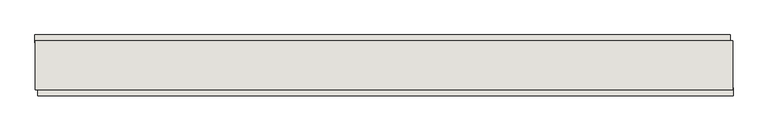
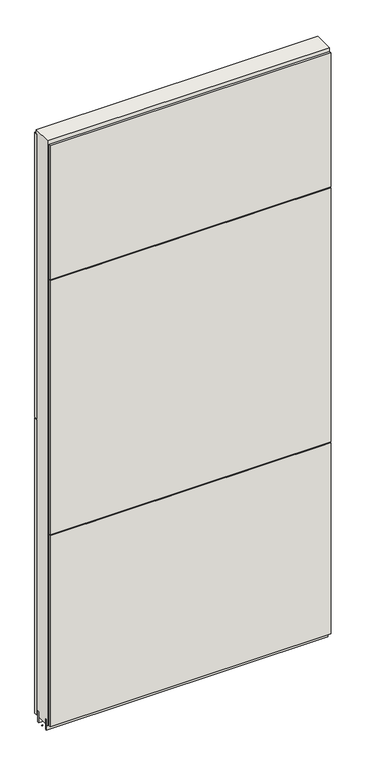
"""IFC4 building model written with IfcOpenShell, lengths in millimetres: wall geometry."""

from ifc_helpers import new_model, si_unit, frame, origin, place, context, project, spatial, polyline, outline, extrude, source, transform, mapped, element, save


def wall_96e56dcf(model_context):
    return source(origin(), model_context, "Body", "SweptSolid", [
        extrude(outline(polyline([(42882.82, -50694.3338918), (42880.28, -50694.3338918), (42880.28, -50691.7938918), (42882.82, -50691.7938918), (42882.82, -50694.3338918)])), frame((0.0, 0.0, 4419.6), z_axis=(0.0, 0.0, 1.0), x_axis=(1.0, 0.0, 0.0)), (0.0, 0.0, 1.0), 2.54),
        extrude(outline(polyline([(42879.813783, -50642.2669906), (44044.213791, -50642.2669906), (44044.213791, -50654.9669906), (42879.813783, -50654.9669906), (42879.813783, -50642.2669906)])), frame((0.0, 0.0, 5742.399869), z_axis=(0.0, 0.0, 1.0), x_axis=(1.0, 0.0, 0.0)), (0.0, 0.0, 1.0), 1247.649905),
        extrude(outline(polyline([(42879.813783, -50642.2669906), (44044.213791, -50642.2669906), (44044.213791, -50654.9669906), (42879.813783, -50654.9669906), (42879.813783, -50642.2669906)])), frame((0.0, 0.0, 4445.0), z_axis=(0.0, 0.0, 1.0), x_axis=(1.0, 0.0, 0.0)), (0.0, 0.0, 1.0), 1293.400004),
        extrude(outline(polyline([(44049.1437278, -50743.8638918), (42884.7437198, -50743.8638918), (42884.7437198, -50731.1638918), (44049.1437278, -50731.1638918), (44049.1437278, -50743.8638918)])), frame((0.0, 0.0, 6402.8000722), z_axis=(0.0, 0.0, 1.0), x_axis=(1.0, 0.0, 0.0)), (0.0, 0.0, 1.0), 587.2498034),
        extrude(outline(polyline([(44049.1437278, -50743.8638918), (42884.7437198, -50743.8638918), (42884.7437198, -50731.1638918), (44049.1437278, -50731.1638918), (44049.1437278, -50743.8638918)])), frame((0.0, 0.0, 5285.2000722), z_axis=(0.0, 0.0, 1.0), x_axis=(1.0, 0.0, 0.0)), (0.0, 0.0, 1.0), 1113.5999572),
        extrude(outline(polyline([(44049.1437278, -50743.8638918), (42884.7437198, -50743.8638918), (42884.7437198, -50731.1638918), (44049.1437278, -50731.1638918), (44049.1437278, -50743.8638918)])), frame((0.0, 0.0, 4445.0), z_axis=(0.0, 0.0, 1.0), x_axis=(1.0, 0.0, 0.0)), (0.0, 0.0, 1.0), 836.200004),
        extrude(outline(polyline([(44048.6787554, -50667.9708508), (42880.2787554, -50667.9708508), (42880.2787554, -50662.8920954), (44048.6787554, -50662.9168858), (44048.6787554, -50667.9708508)])), frame((0.0, 0.0, 4418.6602), z_axis=(0.0, 0.0, 1.0), x_axis=(1.0, 0.0, 0.0)), (0.0, 0.0, 1.0), 47.625),
        extrude(outline(polyline([(44048.6787554, -50667.9708508), (42880.2787554, -50667.9708508), (42880.2787554, -50662.8920954), (44048.6787554, -50662.9168858), (44048.6787554, -50667.9708508)])), frame((0.0, 0.0, 4418.6602), z_axis=(0.0, 0.0, 1.0), x_axis=(1.0, 0.0, 0.0)), (0.0, 0.0, 1.0), 47.625),
        extrude(outline(polyline([(42880.2787554, -50718.1352412), (44048.6787554, -50718.1600316), (44048.6787554, -50723.2418858), (42880.2787554, -50723.2170954), (42880.2787554, -50718.1352412)])), frame((0.0, 0.0, 4418.6602), z_axis=(0.0, 0.0, 1.0), x_axis=(1.0, 0.0, 0.0)), (0.0, 0.0, 1.0), 47.625),
        extrude(outline(polyline([(42880.2787554, -50718.1352412), (44048.6787554, -50718.1600316), (44048.6787554, -50723.2418858), (42880.2787554, -50723.2170954), (42880.2787554, -50718.1352412)])), frame((0.0, 0.0, 4418.6602), z_axis=(0.0, 0.0, 1.0), x_axis=(1.0, 0.0, 0.0)), (0.0, 0.0, 1.0), 47.625),
        extrude(outline(polyline([(44048.6787554, -50652.4245014), (44048.6787554, -50733.706381), (42880.2787554, -50733.706381), (42880.2787554, -50652.4245014), (44048.6787554, -50652.4245014)])), frame((0.0, 0.0, 4445.0), z_axis=(0.0, 0.0, 1.0), x_axis=(1.0, 0.0, 0.0)), (0.0, 0.0, 1.0), 2562.4536762),
    ])


if __name__ == "__main__":
    model = new_model("IFC4")
    model_context = context("Model", 3, world=origin())
    ifc_project = project(units=[si_unit("LENGTHUNIT", "METRE", prefix="MILLI")], contexts=[model_context])
    site = spatial("IfcSite", under=ifc_project)
    building = spatial("IfcBuilding", under=site)
    placement = place(None, origin())
    wall_shape = wall_96e56dcf(model_context)
    element("IfcWall", 1, at=placement, inside=building, context=model_context, shape_type="MappedRepresentation", body=[
        mapped(wall_shape, transform((0.0, 0.0, 0.0), x_axis=(1.0, 0.0, 0.0), y_axis=(0.0, 1.0, 0.0), z_axis=(0.0, 0.0, 1.0))),
    ])
    save(model, "model.ifc")
